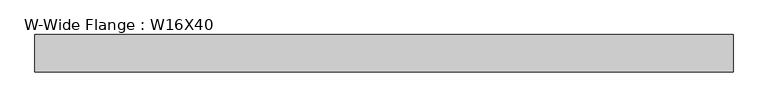
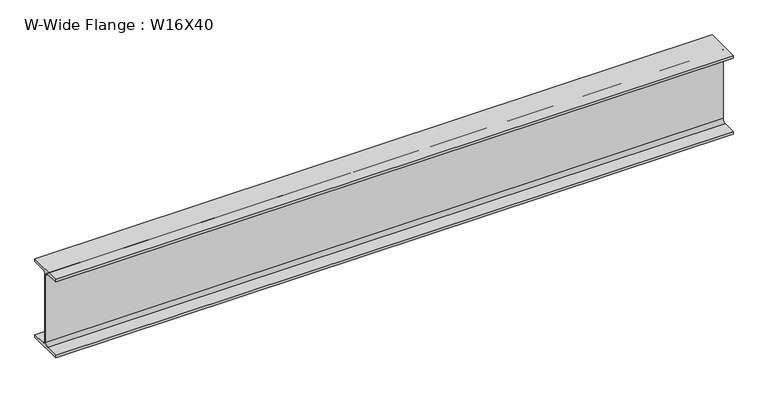
"""IFC4 building model written with IfcOpenShell, lengths in millimetres: beam geometry, W-Wide Flange : W16X40."""

from ifc_helpers import new_model, si_unit, point, frame, frame_2d, origin, place, context, project, spatial, polyline, circle_curve, trimmed, segment, composite_curve, outline, extrude, source, transform, mapped, element, save


def w_wide_flange_w16x40_fe3c88d1(model_context):
    return source(origin(), model_context, "Body", "SweptSolid", [
        extrude(outline(composite_curve([segment(polyline([(88.9, -190.4), (88.9, -203.2), (-88.9, -203.2), (-88.9, -190.4), (-21.25, -190.4)]), True, "CONTINUOUS"), segment(trimmed(circle_curve(frame_2d((-21.25, -173.0)), 17.4), [point((-21.25, -190.4))], [point((-3.85, -173.0))], True, "CARTESIAN"), True, "CONTINUOUS"), segment(polyline([(-3.85, -173.0), (-3.85, 173.0)]), True, "CONTINUOUS"), segment(trimmed(circle_curve(frame_2d((-21.25, 173.0)), 17.4), [point((-3.85, 173.0))], [point((-21.25, 190.4))], True, "CARTESIAN"), True, "CONTINUOUS"), segment(polyline([(-21.25, 190.4), (-88.9, 190.4), (-88.9, 203.2), (88.9, 203.2), (88.9, 190.4), (21.25, 190.4)]), True, "CONTINUOUS"), segment(trimmed(circle_curve(frame_2d((21.25, 173.0)), 17.4), [point((21.25, 190.4))], [point((3.85, 173.0))], True, "CARTESIAN"), True, "CONTINUOUS"), segment(polyline([(3.85, 173.0), (3.85, -173.0)]), True, "CONTINUOUS"), segment(trimmed(circle_curve(frame_2d((21.25, -173.0)), 17.4), [point((3.85, -173.0))], [point((21.25, -190.4))], True, "CARTESIAN"), True, "CONTINUOUS"), segment(polyline([(21.25, -190.4), (88.9, -190.4)]), True, "CONTINUOUS")], self_intersect=False)), frame((-443.3807568, 0.0, 0.0), z_axis=(1.0, 0.0, 0.0), x_axis=(0.0, 1.0, 0.0)), (0.0, 0.0, 1.0), 3323.0641248),
    ])


if __name__ == "__main__":
    model = new_model("IFC4")
    model_context = context("Model", 3, world=origin())
    ifc_project = project(units=[si_unit("LENGTHUNIT", "METRE", prefix="MILLI")], contexts=[model_context])
    site = spatial("IfcSite", under=ifc_project)
    building = spatial("IfcBuilding", under=site)
    placement = place(None, origin())
    w_wide_flange_w16x40_shape = w_wide_flange_w16x40_fe3c88d1(model_context)
    element("IfcBeam", 1, ObjectType="W-Wide Flange : W16X40", at=placement, inside=building, context=model_context, shape_type="MappedRepresentation", body=[
        mapped(w_wide_flange_w16x40_shape, transform((0.0, 0.0, 0.0), x_axis=(1.0, 0.0, 0.0), y_axis=(0.0, 1.0, 0.0), z_axis=(0.0, 0.0, 1.0))),
    ])
    save(model, "model.ifc")
